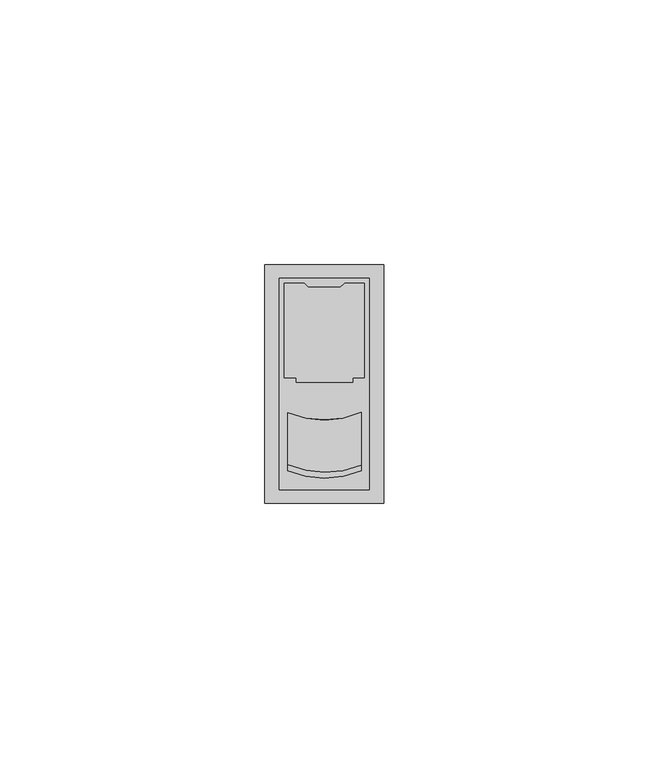
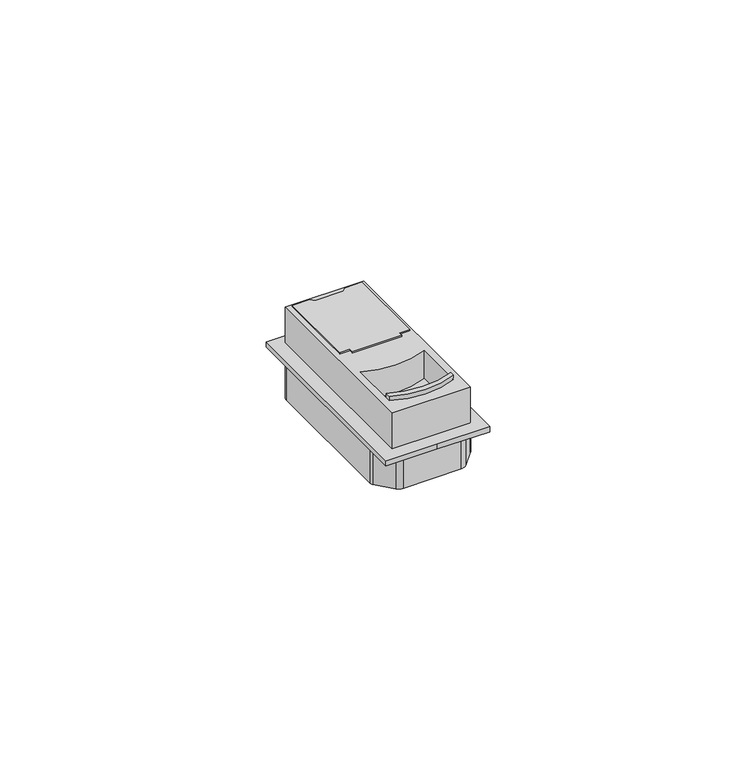
"""IFC4 building model written with IfcOpenShell, lengths in millimetres: proxy geometry."""

from ifc_helpers import new_model, si_unit, point, frame, frame_2d, origin, origin_with_axes, place, context, project, spatial, polyline, circle_curve, trimmed, segment, composite_curve, outline, extrude, source, transform, mapped, element, save


def electrical_fixtures_de7639b7(model_context):
    return source(origin(), model_context, "Body", "SweptSolid", [
        extrude(outline(composite_curve([segment(trimmed(circle_curve(frame_2d((11.25, 22.4500939)), 17.7206058), [point((18.2131274, 6.1548575))], [point((4.2868726, 6.1548575))], False, "CARTESIAN"), True, "CONTINUOUS"), segment(polyline([(4.2868726, 6.1548575), (4.2868726, 17.1153247)]), True, "CONTINUOUS"), segment(trimmed(circle_curve(frame_2d((11.222313, 33.4223642)), 17.7206058), [point((4.2868726, 17.1153247))], [point((18.2131274, 17.1389867))], True, "CARTESIAN"), True, "CONTINUOUS"), segment(polyline([(18.2131274, 17.1389867), (18.2131274, 6.1548575)]), True, "CONTINUOUS")], self_intersect=False)), frame((0.0, 0.0, 1.1865762), z_axis=(0.0, 0.0, 1.0), x_axis=(1.0, 0.0, 0.0)), (0.0, 0.0, 1.0), 2.1786695),
        extrude(outline(composite_curve([segment(trimmed(circle_curve(frame_2d((22.9785709, 22.0163771)), 28.0250427), [point((0.6708855, 38.9801677))], [point((3.6496058, 42.3090883))], False, "CARTESIAN"), True, "CONTINUOUS"), segment(trimmed(circle_curve(frame_2d((5.0058625, 40.8852084)), 1.9664349), [point((3.6496058, 42.3090883))], [point((5.0058625, 42.8516432))], False, "CARTESIAN"), True, "CONTINUOUS"), segment(polyline([(5.0058625, 42.8516432), (17.4941375, 42.8516432)]), True, "CONTINUOUS"), segment(trimmed(circle_curve(frame_2d((17.4941375, 40.8852084)), 1.9664349), [point((17.4941375, 42.8516432))], [point((18.8503942, 42.3090883))], False, "CARTESIAN"), True, "CONTINUOUS"), segment(trimmed(circle_curve(frame_2d((-0.4785709, 22.0163771)), 28.0250427), [point((18.8503942, 42.3090883))], [point((21.8291145, 38.9801677))], False, "CARTESIAN"), True, "CONTINUOUS"), segment(trimmed(circle_curve(frame_2d((20.8665201, 38.2481666)), 1.2093029), [point((21.8291145, 38.9801677))], [point((22.075823, 38.2481666))], False, "CARTESIAN"), True, "CONTINUOUS"), segment(polyline([(22.075823, 38.2481666), (22.075823, 6.7518334)]), True, "CONTINUOUS"), segment(trimmed(circle_curve(frame_2d((20.8665201, 6.7518334)), 1.2093029), [point((22.075823, 6.7518334))], [point((21.8291145, 6.0198323))], False, "CARTESIAN"), True, "CONTINUOUS"), segment(trimmed(circle_curve(frame_2d((-0.4785709, 22.9836229)), 28.0250427), [point((21.8291145, 6.0198323))], [point((18.8503942, 2.6909117))], False, "CARTESIAN"), True, "CONTINUOUS"), segment(trimmed(circle_curve(frame_2d((17.4941375, 4.1147916)), 1.9664349), [point((18.8503942, 2.6909117))], [point((17.4941375, 2.1483568))], False, "CARTESIAN"), True, "CONTINUOUS"), segment(polyline([(17.4941375, 2.1483568), (5.0058625, 2.1483568)]), True, "CONTINUOUS"), segment(trimmed(circle_curve(frame_2d((5.0058625, 4.1147916)), 1.9664349), [point((5.0058625, 2.1483568))], [point((3.6496058, 2.6909117))], False, "CARTESIAN"), True, "CONTINUOUS"), segment(trimmed(circle_curve(frame_2d((22.9785709, 22.9836229)), 28.0250427), [point((3.6496058, 2.6909117))], [point((0.6708855, 6.0198323))], False, "CARTESIAN"), True, "CONTINUOUS"), segment(trimmed(circle_curve(frame_2d((1.6334799, 6.7518334)), 1.2093029), [point((0.6708855, 6.0198323))], [point((0.424177, 6.7518334))], False, "CARTESIAN"), True, "CONTINUOUS"), segment(polyline([(0.424177, 6.7518334), (0.424177, 38.2481666)]), True, "CONTINUOUS"), segment(trimmed(circle_curve(frame_2d((1.6334799, 38.2481666)), 1.2093029), [point((0.424177, 38.2481666))], [point((0.6708855, 38.9801677))], False, "CARTESIAN"), True, "CONTINUOUS")], self_intersect=False)), frame((0.0, 0.0, -8.140304), z_axis=(0.0, 0.0, 1.0), x_axis=(1.0, 0.0, 0.0)), (0.0, 0.0, 1.0), 8.140304),
        extrude(outline(polyline([(0.0, 0.0), (0.0, 45.0), (12.9957362, 45.0), (22.5, 45.0), (22.5, 0.0), (11.0865768, 0.0), (0.0, 0.0)]), holes=[composite_curve([segment(trimmed(circle_curve(frame_2d((11.25, 22.4500939)), 17.7206058), [point((4.2868726, 6.1548575))], [point((18.2131274, 6.1548575))], True, "CARTESIAN"), True, "CONTINUOUS"), segment(polyline([(18.2131274, 6.1548575), (18.2131274, 17.1389867)]), True, "CONTINUOUS"), segment(trimmed(circle_curve(frame_2d((11.222313, 33.4223642)), 17.7206058), [point((18.2131274, 17.1389867))], [point((4.2868726, 17.1153247))], False, "CARTESIAN"), True, "CONTINUOUS"), segment(polyline([(4.2868726, 17.1153247), (4.2868726, 6.1548575)]), True, "CONTINUOUS")], self_intersect=False)]), origin_with_axes(), (0.0, 0.0, 1.0), 1.1865762),
        extrude(outline(polyline([(19.75, 42.5), (19.75, 2.5), (2.75, 2.5), (2.75, 42.5), (19.75, 42.5)]), holes=[composite_curve([segment(trimmed(circle_curve(frame_2d((11.25, 22.4500939)), 17.7206058), [point((4.2868726, 6.1548575))], [point((18.2131274, 6.1548575))], True, "CARTESIAN"), True, "CONTINUOUS"), segment(polyline([(18.2131274, 6.1548575), (18.2131274, 17.1389867)]), True, "CONTINUOUS"), segment(trimmed(circle_curve(frame_2d((11.222313, 33.4223642)), 17.7206058), [point((18.2131274, 17.1389867))], [point((4.2868726, 17.1153247))], False, "CARTESIAN"), True, "CONTINUOUS"), segment(polyline([(4.2868726, 17.1153247), (4.2868726, 6.1548575)]), True, "CONTINUOUS")], self_intersect=False)]), frame((0.0, 0.0, 1.1865762), z_axis=(0.0, 0.0, 1.0), x_axis=(1.0, 0.0, 0.0)), (0.0, 0.0, 1.0), 8.5754238),
        extrude(outline(composite_curve([segment(trimmed(circle_curve(frame_2d((11.3455336, 23.4915)), 17.7004179), [point((4.2868726, 7.25943))], [point((18.2131274, 7.1776731))], True, "CARTESIAN"), True, "CONTINUOUS"), segment(polyline([(18.2131274, 7.1776731), (18.2131274, 6.1548575)]), True, "CONTINUOUS"), segment(trimmed(circle_curve(frame_2d((11.25, 22.4500939)), 17.7206058), [point((18.2131274, 6.1548575))], [point((4.2868726, 6.1548575))], False, "CARTESIAN"), True, "CONTINUOUS"), segment(polyline([(4.2868726, 6.1548575), (4.2868726, 7.25943)]), True, "CONTINUOUS")], self_intersect=False)), frame((0.0, 0.0, 3.3652457), z_axis=(0.0, 0.0, 1.0), x_axis=(1.0, 0.0, 0.0)), (0.0, 0.0, 1.0), 7.3967543),
        extrude(outline(polyline([(7.45, 41.5625), (8.2399495, 40.7725505), (14.2600505, 40.7725505), (15.05, 41.5625), (18.8125, 41.5625), (18.8125, 23.7125), (16.5793496, 23.7125), (16.5793496, 22.8125), (5.8875, 22.8125), (5.8875, 23.7125), (3.6875, 23.7125), (3.6875, 41.5625), (7.45, 41.5625)])), frame((0.0, 0.0, 9.762), z_axis=(0.0, 0.0, 1.0), x_axis=(1.0, 0.0, 0.0)), (0.0, 0.0, 1.0), 0.6308588),
    ])


if __name__ == "__main__":
    model = new_model("IFC4")
    model_context = context("Model", 3, world=origin())
    ifc_project = project(units=[si_unit("LENGTHUNIT", "METRE", prefix="MILLI")], contexts=[model_context])
    site = spatial("IfcSite", under=ifc_project)
    building = spatial("IfcBuilding", under=site)
    placement = place(None, origin())
    electrical_fixtures_shape = electrical_fixtures_de7639b7(model_context)
    element("IfcBuildingElementProxy", 1, Name="Electrical Fixtures", at=placement, inside=building, context=model_context, shape_type="MappedRepresentation", body=[
        mapped(electrical_fixtures_shape, transform((0.0, 0.0, 0.0), x_axis=(1.0, 0.0, 0.0), y_axis=(0.0, 1.0, 0.0), z_axis=(0.0, 0.0, 1.0))),
    ])
    save(model, "model.ifc")
